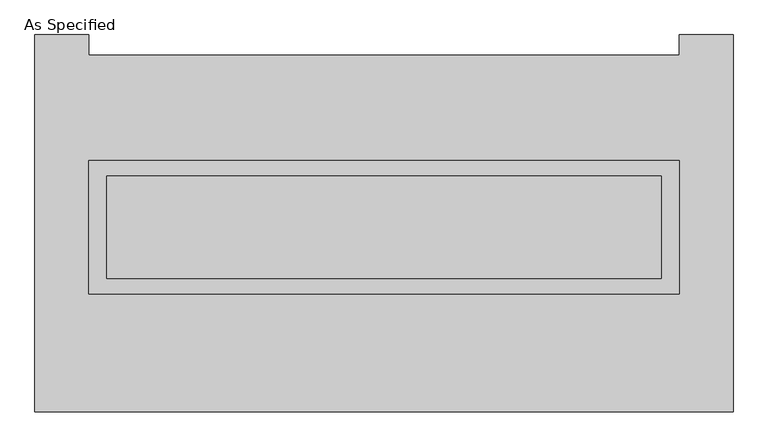
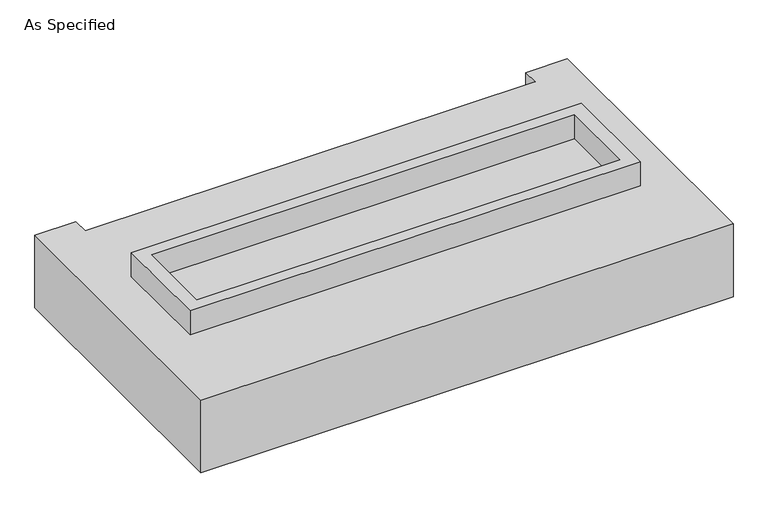
"""IFC4 building model written with IfcOpenShell, lengths in millimetres: proxy geometry, As Specified."""

from ifc_helpers import new_model, si_unit, frame, origin, place, context, project, spatial, polyline, outline, extrude, faceted_brep, source, transform, mapped, element, save


def as_specified_470bcaa0(model_context):
    return source(origin(), model_context, "Body", "SolidModel", [
        extrude(outline(polyline([(1460.5, 361.95), (1460.5, -298.45), (-1460.5, -298.45), (-1460.5, 361.95), (1460.5, 361.95)]), holes=[polyline([(1371.6, 285.75), (-1371.6, 285.75), (-1371.6, -222.25), (1371.6, -222.25), (1371.6, 285.75)])]), frame((0.0, 0.0, -25.4), z_axis=(0.0, 0.0, 1.0), x_axis=(1.0, 0.0, 0.0)), (0.0, 0.0, 1.0), 165.1),
        extrude(outline(polyline([(1371.6, 285.75), (1371.6, -222.25), (-1371.6, -222.25), (-1371.6, 285.75), (1371.6, 285.75)])), frame((0.0, 0.0, -30.3609375), z_axis=(0.0, 0.0, 1.0), x_axis=(1.0, 0.0, 0.0)), (0.0, 0.0, 1.0), 4.9609375),
        faceted_brep([(1727.2, -882.65, -523.875), (-1727.2, -882.65, -523.875), (-1727.2, 984.25, -523.875), (-1460.5, 984.25, -523.875), (-1460.5, 882.65, -523.875), (1460.5, 882.65, -523.875), (1460.5, 984.25, -523.875), (1727.2, 984.25, -523.875), (-1727.2, -882.65, -25.4), (1727.2, -882.65, -25.4), (1727.2, 984.25, -25.4), (1460.5, 984.25, -25.4), (1460.5, 882.65, -25.4), (-1460.5, 882.65, -25.4), (-1460.5, 984.25, -25.4), (-1727.2, 984.25, -25.4), (-1460.5, -298.45, -25.4), (-1460.5, 361.95, -25.4), (1460.5, 361.95, -25.4), (1460.5, -298.45, -25.4), (1460.5, 361.95, -498.475), (-1460.5, 361.95, -498.475), (-1460.5, -298.45, -498.475), (1460.5, -298.45, -498.475)], [[[0, 1, 2, 3, 4, 5, 6, 7]], [[8, 9, 10, 11, 12, 13, 14, 15], [16, 17, 18, 19]], [[4, 13, 12, 5]], [[1, 8, 15, 2]], [[10, 9, 0, 7]], [[20, 21, 22, 23]], [[22, 21, 17, 16]], [[21, 20, 18, 17]], [[20, 23, 19, 18]], [[16, 19, 23, 22]], [[1, 0, 9, 8]], [[4, 3, 14, 13]], [[3, 2, 15, 14]], [[6, 5, 12, 11]], [[7, 6, 11, 10]]]),
    ])


if __name__ == "__main__":
    model = new_model("IFC4")
    model_context = context("Model", 3, world=origin())
    ifc_project = project(units=[si_unit("LENGTHUNIT", "METRE", prefix="MILLI")], contexts=[model_context])
    site = spatial("IfcSite", under=ifc_project)
    building = spatial("IfcBuilding", under=site)
    placement = place(None, origin())
    as_specified_shape = as_specified_470bcaa0(model_context)
    element("IfcBuildingElementProxy", 1, Name="As Specified", ObjectType="As Specified", at=placement, inside=building, context=model_context, shape_type="MappedRepresentation", body=[
        mapped(as_specified_shape, transform((0.0, 0.0, 0.0), x_axis=(1.0, 0.0, 0.0), y_axis=(0.0, 1.0, 0.0), z_axis=(0.0, 0.0, 1.0))),
    ])
    save(model, "model.ifc")
